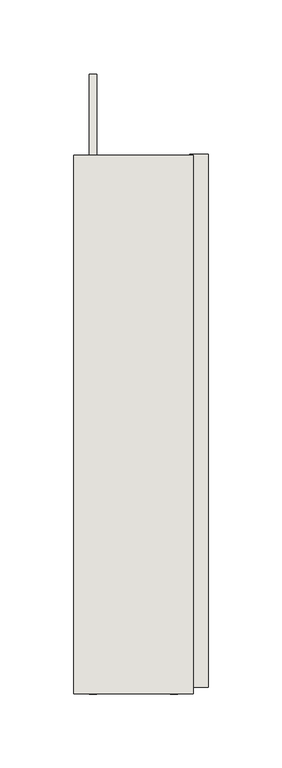
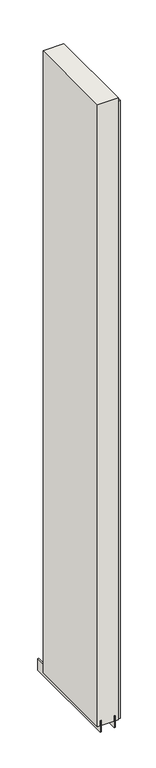
"""IFC4 building model written with IfcOpenShell, lengths in millimetres: wall geometry."""

from ifc_helpers import new_model, si_unit, frame, origin, place, context, project, spatial, polyline, outline, extrude, source, transform, mapped, element, save


def wall_f4986604(model_context):
    return source(origin(), model_context, "Body", "SweptSolid", [
        extrude(outline(polyline([(76255.282211, -40264.5016908), (76255.282211, -40267.0416908), (76252.742211, -40267.0416908), (76252.742211, -40264.5016908), (76255.282211, -40264.5016908)])), frame((0.0, 0.0, 4419.6), z_axis=(0.0, 0.0, 1.0), x_axis=(1.0, 0.0, 0.0)), (0.0, 0.0, 1.0), 2.54),
        extrude(outline(polyline([(76304.812211, -40264.0397347), (76304.812211, -40625.9685638), (76292.112211, -40625.9685638), (76292.112211, -40264.0397347), (76304.812211, -40264.0397347)])), frame((0.0, 0.0, 4445.0), z_axis=(0.0, 0.0, 1.0), x_axis=(1.0, 0.0, 0.0)), (0.0, 0.0, 1.0), 2545.0498756),
        extrude(outline(polyline([(76228.9284664, -40209.189076), (76228.9284664, -40630.4253938), (76223.849711, -40630.4253938), (76223.849711, -40209.189076), (76228.9284664, -40209.189076)])), frame((0.0, 0.0, 4418.6602), z_axis=(0.0, 0.0, 1.0), x_axis=(1.0, 0.0, 0.0)), (0.0, 0.0, 1.0), 47.625),
        extrude(outline(polyline([(76228.9284664, -40209.189076), (76228.9284664, -40630.4253938), (76223.849711, -40630.4253938), (76223.849711, -40209.189076), (76228.9284664, -40209.189076)])), frame((0.0, 0.0, 4418.6602), z_axis=(0.0, 0.0, 1.0), x_axis=(1.0, 0.0, 0.0)), (0.0, 0.0, 1.0), 47.625),
        extrude(outline(polyline([(76279.0959556, -40630.4253938), (76279.0959556, -40264.5128414), (76284.174711, -40264.5128414), (76284.174711, -40630.4253938), (76279.0959556, -40630.4253938)])), frame((0.0, 0.0, 4418.6602), z_axis=(0.0, 0.0, 1.0), x_axis=(1.0, 0.0, 0.0)), (0.0, 0.0, 1.0), 47.625),
        extrude(outline(polyline([(76279.0959556, -40630.4253938), (76279.0959556, -40264.5128414), (76284.174711, -40264.5128414), (76284.174711, -40630.4253938), (76279.0959556, -40630.4253938)])), frame((0.0, 0.0, 4418.6602), z_axis=(0.0, 0.0, 1.0), x_axis=(1.0, 0.0, 0.0)), (0.0, 0.0, 1.0), 47.625),
        extrude(outline(polyline([(76213.3573266, -40264.5128414), (76294.6670954, -40264.5128414), (76294.6670954, -40630.4253938), (76213.3573266, -40630.4253938), (76213.3573266, -40264.5128414)])), frame((0.0, 0.0, 4445.0), z_axis=(0.0, 0.0, 1.0), x_axis=(1.0, 0.0, 0.0)), (0.0, 0.0, 1.0), 2562.4536762),
    ])


if __name__ == "__main__":
    model = new_model("IFC4")
    model_context = context("Model", 3, world=origin())
    ifc_project = project(units=[si_unit("LENGTHUNIT", "METRE", prefix="MILLI")], contexts=[model_context])
    site = spatial("IfcSite", under=ifc_project)
    building = spatial("IfcBuilding", under=site)
    placement = place(None, origin())
    wall_shape = wall_f4986604(model_context)
    element("IfcWall", 1, at=placement, inside=building, context=model_context, shape_type="MappedRepresentation", body=[
        mapped(wall_shape, transform((0.0, 0.0, 0.0), x_axis=(1.0, 0.0, 0.0), y_axis=(0.0, 1.0, 0.0), z_axis=(0.0, 0.0, 1.0))),
    ])
    save(model, "model.ifc")
